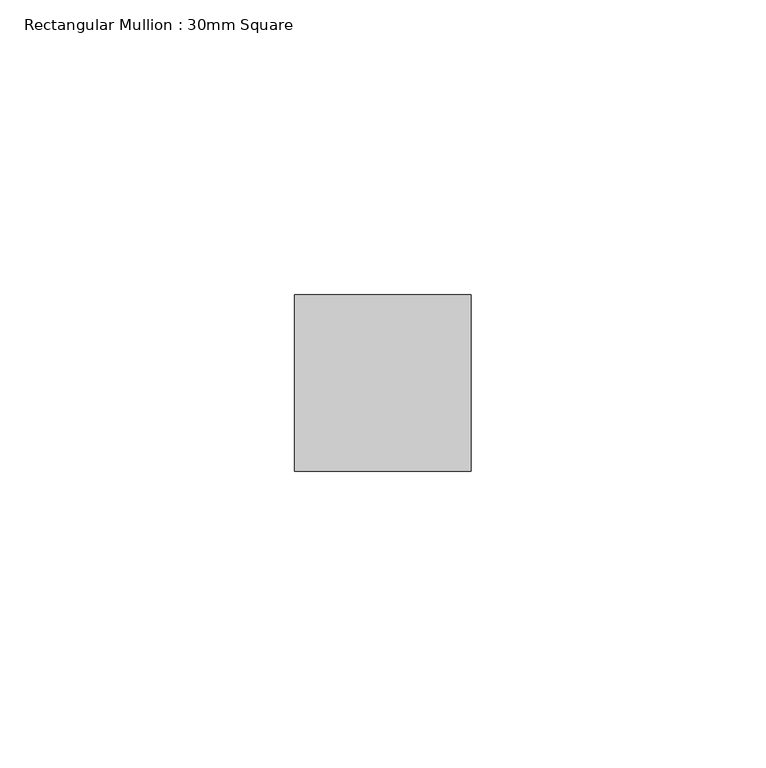
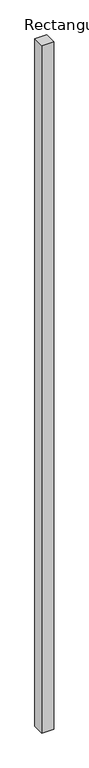
"""IFC4 building model written with IfcOpenShell, lengths in millimetres: member geometry, Rectangular Mullion : 30mm Square."""

from ifc_helpers import new_model, si_unit, frame, origin, place, context, project, spatial, polyline, outline, extrude, source, transform, mapped, element, save


def rectangular_mullion_30mm_square_91e58ac2(model_context):
    return source(origin(), model_context, "Body", "SweptSolid", [
        extrude(outline(polyline([(15.0, 15.0), (15.0, -15.0), (-15.0, -15.0), (-15.0, 15.0), (15.0, 15.0)])), frame((0.0, 0.0, -1830.508389), z_axis=(0.0, 0.0, 1.0), x_axis=(1.0, 0.0, 0.0)), (0.0, 0.0, 1.0), 1830.508389),
    ])


if __name__ == "__main__":
    model = new_model("IFC4")
    model_context = context("Model", 3, world=origin())
    ifc_project = project(units=[si_unit("LENGTHUNIT", "METRE", prefix="MILLI")], contexts=[model_context])
    site = spatial("IfcSite", under=ifc_project)
    building = spatial("IfcBuilding", under=site)
    placement = place(None, origin())
    rectangular_mullion_30mm_square_shape = rectangular_mullion_30mm_square_91e58ac2(model_context)
    element("IfcMember", 1, ObjectType="Rectangular Mullion : 30mm Square", at=placement, inside=building, context=model_context, shape_type="MappedRepresentation", body=[
        mapped(rectangular_mullion_30mm_square_shape, transform((0.0, 0.0, 0.0), x_axis=(1.0, 0.0, 0.0), y_axis=(0.0, 1.0, 0.0), z_axis=(0.0, 0.0, 1.0))),
    ])
    save(model, "model.ifc")
